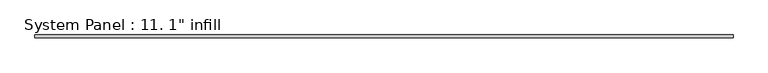
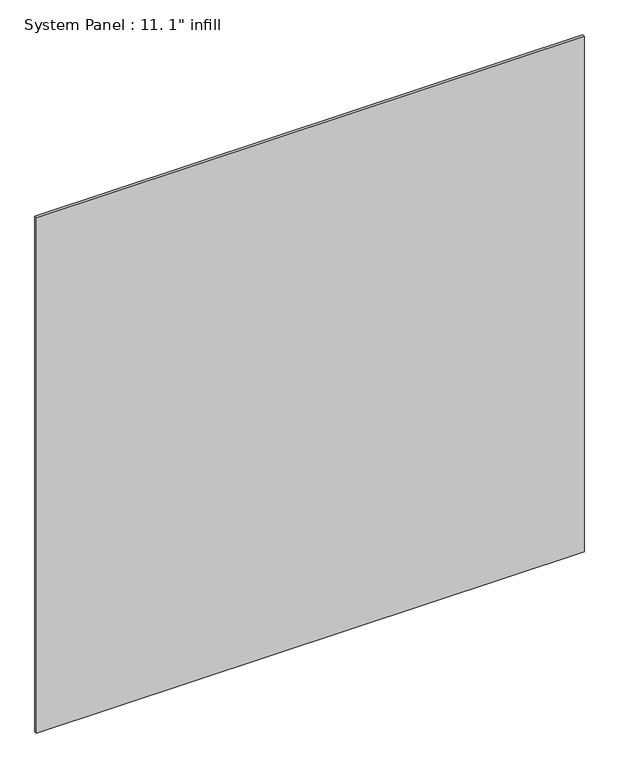
"""IFC4 building model written with IfcOpenShell, lengths in millimetres: plate geometry."""

from ifc_helpers import new_model, si_unit, origin, origin_with_axes, place, context, project, spatial, polyline, outline, extrude, source, transform, mapped, element, save


def plate_8ba971a4(model_context):
    return source(origin(), model_context, "Body", "SweptSolid", [
        extrude(outline(polyline([(3023.790625, -12.7), (-3023.790625, -12.7), (-3023.790625, 12.7), (3023.790625, 12.7), (3023.790625, -12.7)])), origin_with_axes(), (0.0, 0.0, 1.0), 6016.624458),
    ])


if __name__ == "__main__":
    model = new_model("IFC4")
    model_context = context("Model", 3, world=origin())
    ifc_project = project(units=[si_unit("LENGTHUNIT", "METRE", prefix="MILLI")], contexts=[model_context])
    site = spatial("IfcSite", under=ifc_project)
    building = spatial("IfcBuilding", under=site)
    placement = place(None, origin())
    plate_shape = plate_8ba971a4(model_context)
    element("IfcPlate", 1, ObjectType="System Panel : 11. 1\" infill", at=placement, inside=building, context=model_context, shape_type="MappedRepresentation", body=[
        mapped(plate_shape, transform((0.0, 0.0, 0.0), x_axis=(1.0, 0.0, 0.0), y_axis=(0.0, 1.0, 0.0), z_axis=(0.0, 0.0, 1.0))),
    ])
    save(model, "model.ifc")
